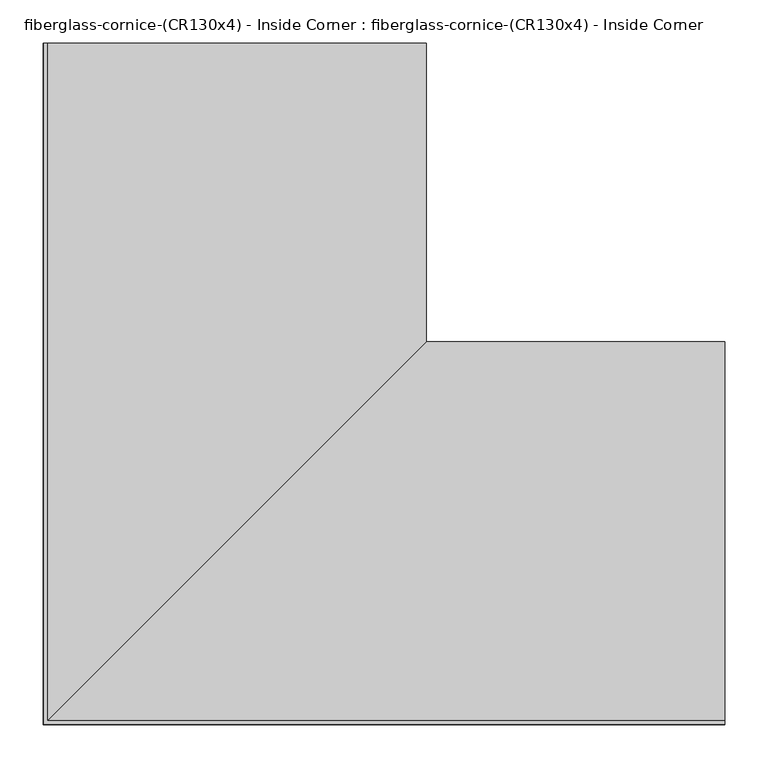
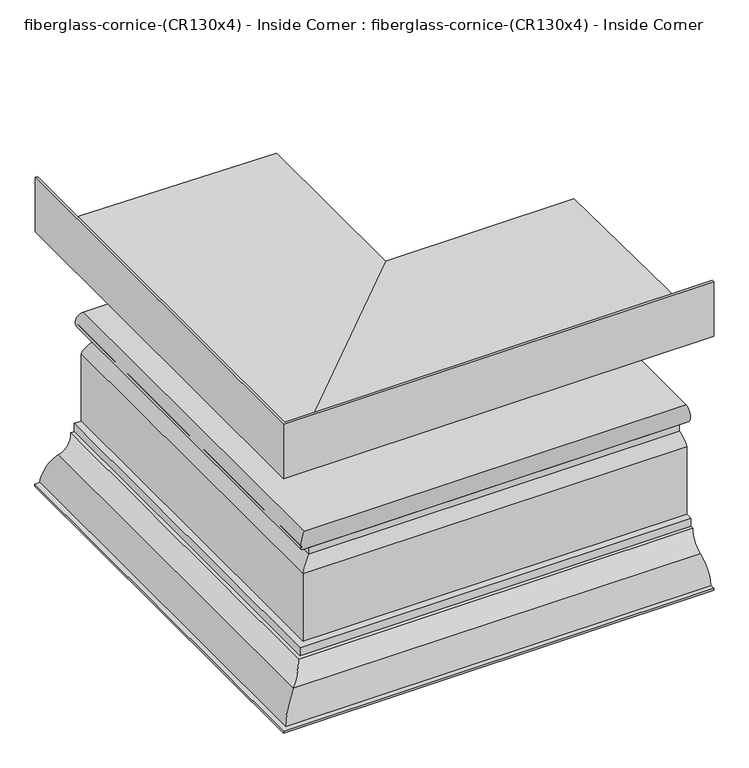
"""IFC4 building model written with IfcOpenShell, lengths in millimetres: furniture geometry, fiberglass-cornice-(CR130x4) - Inside Corner : fiberglass-cornice-(CR130x4) - Inside Corner."""

from ifc_helpers import new_model, si_unit, frame, origin, place, context, project, spatial, polyline, circle_curve, ellipse_curve, source, transform, mapped, element, save
from ifc_brep_helpers import plane_surface, cylinder_surface, revolved_surface, advanced_brep


def fiberglass_cornice_cr130x4_inside_corner_fiberglass_cornice_43bd7943(model_context):
    return source(origin(), model_context, "Body", "AdvancedBrep", [
        advanced_brep(
        [(-389.5724914, 888.603125, 330.1999904), (-389.5724914, 888.603125, 228.5999991), (48.5774674, 888.603125, 222.2500183), (48.5774674, 888.603125, 203.1999994), (34.3672249, 888.603125, 183.350913), (20.0024941, 888.603125, 161.9250108), (20.0024941, 888.603125, 146.0500094), (5.5778447, 888.603125, 127.4585598), (-8.5725091, 888.603125, 111.1250069), (-8.5725091, 888.603125, 34.9250175), (-305.4341478, 888.603125, 34.9250175), (-305.4354754, 888.603125, 12.3564936), (-256.2225363, 888.603125, 12.3564936), (-256.2225363, 888.603125, 9.6389641), (-281.6225193, 888.603125, -15.7607342), (-281.6225193, 888.603125, -28.4607342), (-305.4349921, 888.603125, -41.1606912), (-305.4349921, 888.603125, -174.510736), (-318.1719086, 888.603125, -174.510736), (-318.1719086, 888.603125, -190.3857328), (-324.5219361, 888.603125, -190.3857328), (-350.0700792, 888.603125, -225.3081723), (-381.6350204, 888.603125, -266.6999958), (-394.3350217, 888.603125, -266.6999958), (-394.3350217, 888.603125, -262.8010958), (-385.2222481, 888.603125, -262.8010958), (-351.2687335, 888.603125, -221.5980983), (-328.6305889, 888.603125, -186.4868365), (-322.0708272, 888.603125, -186.4868365), (-322.0708272, 888.603125, -170.6118323), (-309.3339107, 888.603125, -170.6118323), (-309.3339107, 888.603125, -40.0326997), (-285.5214379, 888.603125, -24.7705052), (-285.5214379, 888.603125, -11.7644705), (-260.2315068, 888.603125, 8.457575), (-305.4618242, 888.603125, 8.457575), (-305.4625417, 888.603125, 38.8239063), (-12.4714277, 888.603125, 38.8239063), (-12.4714277, 888.603125, 114.5071158), (1.6965277, 888.603125, 127.8284236), (16.1035755, 888.603125, 148.6279828), (16.1035755, 888.603125, 164.5762016), (30.4718854, 888.603125, 183.5174989), (44.6785786, 888.603125, 205.7151014), (44.6785786, 888.603125, 218.4071876), (-393.6999938, 888.603125, 224.7605132), (-393.6999938, 888.603125, 330.1999904), (393.6999938, 105.3306274, 330.1999904), (393.6999938, 101.203125, 330.1999904), (393.6999938, 101.203125, 224.7605132), (393.6999938, 539.5816975, 218.4071876), (393.6999938, 539.5816975, 205.7151014), (393.6999938, 525.3750042, 183.5174989), (393.6999938, 511.0066943, 164.5762016), (393.6999938, 511.0066943, 148.6279828), (393.6999938, 496.5996465, 127.8284236), (393.6999938, 482.4316912, 114.5071158), (393.6999938, 482.4316912, 38.8239063), (393.6999938, 189.4405772, 38.8239063), (393.6999938, 189.4412946, 8.457575), (393.6999938, 234.671612, 8.457575), (393.6999938, 209.381681, -11.7644705), (393.6999938, 209.381681, -24.7705052), (393.6999938, 185.5692081, -40.0326997), (393.6999938, 185.5692081, -170.6118323), (393.6999938, 172.8322916, -170.6118323), (393.6999938, 172.8322916, -186.4868365), (393.6999938, 166.2725299, -186.4868365), (393.6999938, 143.6343854, -221.5980983), (393.6999938, 109.6808708, -262.8010958), (393.6999938, 100.5680971, -262.8010958), (393.6999938, 100.5680971, -266.6999958), (393.6999938, 113.2680984, -266.6999958), (393.6999938, 144.8330397, -225.3081723), (393.6999938, 170.3811827, -190.3857328), (393.6999938, 176.7312102, -190.3857328), (393.6999938, 176.7312102, -174.510736), (393.6999938, 189.4681268, -174.510736), (393.6999938, 189.4681268, -41.1606912), (393.6999938, 213.2805996, -28.4607342), (393.6999938, 213.2805996, -15.7607342), (393.6999938, 238.6805825, 9.6389641), (393.6999938, 238.6805825, 12.3564936), (393.6999938, 189.4676435, 12.3564936), (393.6999938, 189.4689711, 34.9250175), (393.6999938, 486.3306098, 34.9250175), (393.6999938, 486.3306098, 111.1250069), (393.6999938, 500.4809636, 127.4585598), (393.6999938, 514.9056129, 146.0500094), (393.6999938, 514.9056129, 161.9250108), (393.6999938, 529.2703438, 183.350913), (393.6999938, 543.4805863, 203.1999994), (393.6999938, 543.4805863, 222.2500183), (393.6999938, 105.3306274, 228.5999991), (-389.5724914, 105.3306274, 330.1999904), (-389.5724914, 105.3306274, 228.5999991), (48.5774674, 543.4805863, 222.2500183), (48.5774674, 543.4805863, 203.1999994), (34.3672249, 529.2703438, 183.350913), (20.0024941, 514.9056129, 161.9250108), (20.0024941, 514.9056129, 146.0500094), (5.5778447, 500.4809636, 127.4585598), (-8.5725091, 486.3306098, 111.1250069), (-8.5725091, 486.3306098, 34.9250175), (-305.4341478, 189.4689711, 34.9250175), (-305.4354754, 189.4676435, 12.3564936), (-256.2225363, 238.6805825, 12.3564936), (-256.2225363, 238.6805825, 9.6389641), (-281.6225193, 213.2805996, -15.7607342), (-281.6225193, 213.2805996, -28.4607342), (-305.4349921, 189.4681268, -41.1606912), (-305.4349921, 189.4681268, -174.510736), (-318.1719086, 176.7312102, -174.510736), (-318.1719086, 176.7312102, -190.3857328), (-324.5219361, 170.3811827, -190.3857328), (-350.0700792, 144.8330397, -225.3081723), (-381.6350204, 113.2680984, -266.6999958), (-394.3350217, 100.5680971, -266.6999958), (-394.3350217, 100.5680971, -262.8010958), (-385.2222481, 109.6808708, -262.8010958), (-351.2687335, 143.6343854, -221.5980983), (-328.6305889, 166.2725299, -186.4868365), (-322.0708272, 172.8322916, -186.4868365), (-322.0708272, 172.8322916, -170.6118323), (-309.3339107, 185.5692081, -170.6118323), (-309.3339107, 185.5692081, -40.0326997), (-285.5214379, 209.381681, -24.7705052), (-285.5214379, 209.381681, -11.7644705), (-260.2315068, 234.671612, 8.457575), (-305.4618242, 189.4412946, 8.457575), (-305.4625417, 189.4405772, 38.8239063), (-12.4714277, 482.4316912, 38.8239063), (-12.4714277, 482.4316912, 114.5071158), (1.6965277, 496.5996465, 127.8284236), (16.1035755, 511.0066943, 148.6279828), (16.1035755, 511.0066943, 164.5762016), (30.4718854, 525.3750042, 183.5174989), (44.6785786, 539.5816975, 205.7151014), (44.6785786, 539.5816975, 218.4071876), (-393.6999938, 101.203125, 224.7605132), (-393.6999938, 101.203125, 330.1999904)],
        [
            (0, 1),
            (1, 2),
            (2, 3),
            (3, 4, circle_curve(frame((56.6672003, 888.603125, 182.3972447), z_axis=(0.0, -1.0, 0.0), x_axis=(1.0, 0.0, 0.0)), 22.320358)),
            (4, 5, circle_curve(frame((9.6277517, 888.603125, 184.4089075), z_axis=(0.0, 1.0, 0.0), x_axis=(1.0, 0.0, 0.0)), 24.7620858)),
            (5, 6),
            (6, 7, circle_curve(frame((27.4585119, 888.603125, 125.3734777), z_axis=(0.0, -1.0, 0.0), x_axis=(1.0, 0.0, 0.0)), 21.9797899)),
            (7, 8, circle_curve(frame((-12.9636079, 888.603125, 129.225437), z_axis=(0.0, 1.0, 0.0), x_axis=(1.0, 0.0, 0.0)), 18.6254482)),
            (8, 9),
            (9, 10),
            (10, 11, circle_curve(frame((-305.2619343, 888.603125, 23.6407454), z_axis=(0.0, -1.0, 0.0), x_axis=(1.0, 0.0, 0.0)), 11.2855861)),
            (11, 12),
            (12, 13),
            (13, 14, circle_curve(frame((-283.0382616, 888.603125, 11.055007), z_axis=(0.0, 1.0, 0.0), x_axis=(1.0, 0.0, 0.0)), 26.8530874)),
            (14, 15),
            (15, 16, circle_curve(frame((-281.8567782, 888.603125, -56.6957195), z_axis=(0.0, -1.0, 0.0), x_axis=(1.0, 0.0, 0.0)), 28.2359571)),
            (16, 17),
            (17, 18),
            (18, 19),
            (19, 20),
            (20, 21, circle_curve(frame((-361.4112405, 888.603125, -190.2050173), z_axis=(0.0, 1.0, 0.0), x_axis=(1.0, 0.0, 0.0)), 36.889747)),
            (21, 22, circle_curve(frame((-336.0379695, 888.603125, -268.7403492), z_axis=(0.0, -1.0, 0.0), x_axis=(1.0, 0.0, 0.0)), 45.6426784)),
            (22, 23),
            (23, 24),
            (24, 25),
            (25, 26, circle_curve(frame((-336.0379695, 888.603125, -268.7403492), z_axis=(0.0, 1.0, 0.0), x_axis=(1.0, 0.0, 0.0)), 49.5415784)),
            (26, 27, circle_curve(frame((-361.4112405, 888.603125, -190.2050173), z_axis=(0.0, -1.0, 0.0), x_axis=(1.0, 0.0, 0.0)), 32.990847)),
            (27, 28),
            (28, 29),
            (29, 30),
            (30, 31),
            (31, 32, circle_curve(frame((-281.8567782, 888.603125, -56.6957195), z_axis=(0.0, 1.0, 0.0), x_axis=(1.0, 0.0, 0.0)), 32.1348571)),
            (32, 33),
            (33, 34, circle_curve(frame((-283.0382616, 888.603125, 11.055007), z_axis=(0.0, -1.0, 0.0), x_axis=(1.0, 0.0, 0.0)), 22.9541874)),
            (34, 35),
            (35, 36, circle_curve(frame((-305.2619343, 888.603125, 23.6407454), z_axis=(0.0, 1.0, 0.0), x_axis=(1.0, 0.0, 0.0)), 15.1844861)),
            (36, 37),
            (37, 38),
            (38, 39, circle_curve(frame((-12.9636079, 888.603125, 129.225437), z_axis=(0.0, -1.0, 0.0), x_axis=(1.0, 0.0, 0.0)), 14.7265482)),
            (39, 40, circle_curve(frame((27.4585119, 888.603125, 125.3734777), z_axis=(0.0, 1.0, 0.0), x_axis=(1.0, 0.0, 0.0)), 25.8786899)),
            (40, 41),
            (41, 42, circle_curve(frame((9.6277517, 888.603125, 184.4089075), z_axis=(0.0, -1.0, 0.0), x_axis=(1.0, 0.0, 0.0)), 20.8631858)),
            (42, 43, circle_curve(frame((56.6672003, 888.603125, 182.3972447), z_axis=(0.0, 1.0, 0.0), x_axis=(1.0, 0.0, 0.0)), 26.219258)),
            (43, 44),
            (44, 45),
            (45, 46),
            (46, 0),
            (47, 48),
            (48, 49),
            (49, 50),
            (50, 51),
            (51, 52, circle_curve(frame((393.6999938, 551.5703191, 182.3972447), z_axis=(1.0, 0.0, 0.0), x_axis=(0.0, 1.0, 0.0)), 26.219258)),
            (52, 53, circle_curve(frame((393.6999938, 504.5308705, 184.4089075), z_axis=(-1.0, 0.0, 0.0), x_axis=(0.0, 1.0, 0.0)), 20.8631858)),
            (53, 54),
            (54, 55, circle_curve(frame((393.6999938, 522.3616308, 125.3734777), z_axis=(1.0, 0.0, 0.0), x_axis=(0.0, 1.0, 0.0)), 25.8786899)),
            (55, 56, circle_curve(frame((393.6999938, 481.939511, 129.225437), z_axis=(-1.0, 0.0, 0.0), x_axis=(0.0, 1.0, 0.0)), 14.7265482)),
            (56, 57),
            (57, 58),
            (58, 59, circle_curve(frame((393.6999938, 189.6411846, 23.6407454), z_axis=(1.0, 0.0, 0.0), x_axis=(0.0, 1.0, 0.0)), 15.1844861)),
            (59, 60),
            (60, 61, circle_curve(frame((393.6999938, 211.8648572, 11.055007), z_axis=(-1.0, 0.0, 0.0), x_axis=(0.0, 1.0, 0.0)), 22.9541874)),
            (61, 62),
            (62, 63, circle_curve(frame((393.6999938, 213.0463406, -56.6957195), z_axis=(1.0, 0.0, 0.0), x_axis=(0.0, 1.0, 0.0)), 32.1348571)),
            (63, 64),
            (64, 65),
            (65, 66),
            (66, 67),
            (67, 68, circle_curve(frame((393.6999938, 133.4918784, -190.2050173), z_axis=(-1.0, 0.0, 0.0), x_axis=(0.0, 1.0, 0.0)), 32.990847)),
            (68, 69, circle_curve(frame((393.6999938, 158.8651494, -268.7403492), z_axis=(1.0, 0.0, 0.0), x_axis=(0.0, 1.0, 0.0)), 49.5415784)),
            (69, 70),
            (70, 71),
            (71, 72),
            (72, 73, circle_curve(frame((393.6999938, 158.8651494, -268.7403492), z_axis=(-1.0, 0.0, 0.0), x_axis=(0.0, 1.0, 0.0)), 45.6426784)),
            (73, 74, circle_curve(frame((393.6999938, 133.4918784, -190.2050173), z_axis=(1.0, 0.0, 0.0), x_axis=(0.0, 1.0, 0.0)), 36.889747)),
            (74, 75),
            (75, 76),
            (76, 77),
            (77, 78),
            (78, 79, circle_curve(frame((393.6999938, 213.0463406, -56.6957195), z_axis=(-1.0, 0.0, 0.0), x_axis=(0.0, 1.0, 0.0)), 28.2359571)),
            (79, 80),
            (80, 81, circle_curve(frame((393.6999938, 211.8648572, 11.055007), z_axis=(1.0, 0.0, 0.0), x_axis=(0.0, 1.0, 0.0)), 26.8530874)),
            (81, 82),
            (82, 83),
            (83, 84, circle_curve(frame((393.6999938, 189.6411846, 23.6407454), z_axis=(-1.0, 0.0, 0.0), x_axis=(0.0, 1.0, 0.0)), 11.2855861)),
            (84, 85),
            (85, 86),
            (86, 87, circle_curve(frame((393.6999938, 481.939511, 129.225437), z_axis=(1.0, 0.0, 0.0), x_axis=(0.0, 1.0, 0.0)), 18.6254482)),
            (87, 88, circle_curve(frame((393.6999938, 522.3616308, 125.3734777), z_axis=(-1.0, 0.0, 0.0), x_axis=(0.0, 1.0, 0.0)), 21.9797899)),
            (88, 89),
            (89, 90, circle_curve(frame((393.6999938, 504.5308705, 184.4089075), z_axis=(1.0, 0.0, 0.0), x_axis=(0.0, 1.0, 0.0)), 24.7620858)),
            (90, 91, circle_curve(frame((393.6999938, 551.5703191, 182.3972447), z_axis=(-1.0, 0.0, 0.0), x_axis=(0.0, 1.0, 0.0)), 22.320358)),
            (91, 92),
            (92, 93),
            (93, 47),
            (0, 94),
            (94, 95),
            (95, 1),
            (95, 96),
            (96, 2),
            (96, 97),
            (97, 3),
            (97, 98, ellipse_curve(frame((56.6672003, 551.5703191, 182.3972447), z_axis=(0.7071067811865475, -0.7071067811865475, 0.0), x_axis=(-0.7071067811865474, -0.7071067811865476, 0.0)), 31.565753, 22.320358)),
            (98, 4),
            (98, 99, ellipse_curve(frame((9.6277517, 504.5308705, 184.4089075), z_axis=(-0.7071067811865475, 0.7071067811865475, 0.0), x_axis=(0.7071067811865474, 0.7071067811865476, 0.0)), 35.0188775, 24.7620858)),
            (99, 5),
            (99, 100),
            (100, 6),
            (100, 101, ellipse_curve(frame((27.4585119, 522.3616308, 125.3734777), z_axis=(0.7071067811865475, -0.7071067811865475, 0.0), x_axis=(-0.7071067811865474, -0.7071067811865476, 0.0)), 31.084117, 21.9797899)),
            (101, 7),
            (101, 102, ellipse_curve(frame((-12.9636079, 481.939511, 129.225437), z_axis=(-0.7071067811865475, 0.7071067811865475, 0.0), x_axis=(0.7071067811865474, 0.7071067811865476, 0.0)), 26.3403614, 18.6254482)),
            (102, 8),
            (102, 103),
            (103, 9),
            (103, 85),
            (84, 104),
            (104, 10),
            (104, 105, ellipse_curve(frame((-305.2619343, 189.6411846, 23.6407454), z_axis=(0.7071067811865475, -0.7071067811865475, 0.0), x_axis=(-0.7071067811865474, -0.7071067811865476, 0.0)), 15.960229, 11.2855861)),
            (105, 11),
            (105, 83),
            (82, 106),
            (106, 12),
            (106, 107),
            (107, 13),
            (107, 108, ellipse_curve(frame((-283.0382616, 211.8648572, 11.055007), z_axis=(-0.7071067811865475, 0.7071067811865475, 0.0), x_axis=(0.7071067811865474, 0.7071067811865476, 0.0)), 37.9760004, 26.8530874)),
            (108, 14),
            (108, 109),
            (109, 15),
            (109, 110, ellipse_curve(frame((-281.8567782, 213.0463406, -56.6957195), z_axis=(0.7071067811865475, -0.7071067811865475, 0.0), x_axis=(-0.7071067811865474, -0.7071067811865476, 0.0)), 39.9316734, 28.2359571)),
            (110, 16),
            (110, 111),
            (111, 17),
            (111, 77),
            (76, 112),
            (112, 18),
            (112, 113),
            (113, 19),
            (113, 75),
            (74, 114),
            (114, 20),
            (114, 115, ellipse_curve(frame((-361.4112405, 133.4918784, -190.2050173), z_axis=(-0.7071067811865475, 0.7071067811865475, 0.0), x_axis=(0.7071067811865474, 0.7071067811865476, 0.0)), 52.1699805, 36.889747)),
            (115, 21),
            (115, 116, ellipse_curve(frame((-336.0379695, 158.8651494, -268.7403492), z_axis=(0.7071067811865475, -0.7071067811865475, 0.0), x_axis=(-0.7071067811865474, -0.7071067811865476, 0.0)), 64.5484949, 45.6426784)),
            (116, 22),
            (116, 72),
            (71, 117),
            (117, 23),
            (117, 118),
            (118, 24),
            (118, 70),
            (69, 119),
            (119, 25),
            (119, 120, ellipse_curve(frame((-336.0379695, 158.8651494, -268.7403492), z_axis=(-0.7071067811865475, 0.7071067811865475, 0.0), x_axis=(0.7071067811865474, 0.7071067811865476, 0.0)), 70.0623721, 49.5415784)),
            (120, 26),
            (120, 121, ellipse_curve(frame((-361.4112405, 133.4918784, -190.2050173), z_axis=(0.7071067811865475, -0.7071067811865475, 0.0), x_axis=(-0.7071067811865474, -0.7071067811865476, 0.0)), 46.6561032, 32.990847)),
            (121, 27),
            (121, 67),
            (66, 122),
            (122, 28),
            (122, 123),
            (123, 29),
            (123, 65),
            (64, 124),
            (124, 30),
            (124, 125),
            (125, 31),
            (125, 126, ellipse_curve(frame((-281.8567782, 213.0463406, -56.6957195), z_axis=(-0.7071067811865475, 0.7071067811865475, 0.0), x_axis=(0.7071067811865474, 0.7071067811865476, 0.0)), 45.4455507, 32.1348571)),
            (126, 32),
            (126, 127),
            (127, 33),
            (127, 128, ellipse_curve(frame((-283.0382616, 211.8648572, 11.055007), z_axis=(0.7071067811865475, -0.7071067811865475, 0.0), x_axis=(-0.7071067811865474, -0.7071067811865476, 0.0)), 32.4621231, 22.9541874)),
            (128, 34),
            (128, 60),
            (59, 129),
            (129, 35),
            (129, 130, ellipse_curve(frame((-305.2619343, 189.6411846, 23.6407454), z_axis=(-0.7071067811865475, 0.7071067811865475, 0.0), x_axis=(0.7071067811865474, 0.7071067811865476, 0.0)), 21.4741062, 15.1844861)),
            (130, 36),
            (130, 58),
            (57, 131),
            (131, 37),
            (131, 132),
            (132, 38),
            (132, 133, ellipse_curve(frame((-12.9636079, 481.939511, 129.225437), z_axis=(0.7071067811865475, -0.7071067811865475, 0.0), x_axis=(-0.7071067811865474, -0.7071067811865476, 0.0)), 20.8264842, 14.7265482)),
            (133, 39),
            (133, 134, ellipse_curve(frame((27.4585119, 522.3616308, 125.3734777), z_axis=(-0.7071067811865475, 0.7071067811865475, 0.0), x_axis=(0.7071067811865474, 0.7071067811865476, 0.0)), 36.5979942, 25.8786899)),
            (134, 40),
            (134, 135),
            (135, 41),
            (135, 136, ellipse_curve(frame((9.6277517, 504.5308705, 184.4089075), z_axis=(0.7071067811865475, -0.7071067811865475, 0.0), x_axis=(-0.7071067811865474, -0.7071067811865476, 0.0)), 29.5050003, 20.8631858)),
            (136, 42),
            (136, 137, ellipse_curve(frame((56.6672003, 551.5703191, 182.3972447), z_axis=(-0.7071067811865475, 0.7071067811865475, 0.0), x_axis=(0.7071067811865474, 0.7071067811865476, 0.0)), 37.0796303, 26.219258)),
            (137, 43),
            (137, 138),
            (138, 44),
            (138, 139),
            (139, 45),
            (139, 140),
            (140, 46),
            (140, 48),
            (47, 94),
            (93, 95),
            (92, 96),
            (91, 97),
            (90, 98),
            (89, 99),
            (88, 100),
            (87, 101),
            (86, 102),
            (81, 107),
            (80, 108),
            (79, 109),
            (78, 110),
            (73, 115),
            (68, 120),
            (63, 125),
            (62, 126),
            (61, 127),
            (56, 132),
            (55, 133),
            (54, 134),
            (53, 135),
            (52, 136),
            (51, 137),
            (50, 138),
            (49, 139),
        ],
        [
            plane_surface(frame((-393.6999938, 888.603125, 330.1999904), z_axis=(0.0, 1.0, 0.0), x_axis=(0.0, 0.0, 1.0))),
            plane_surface(frame((393.6999938, 101.203125, 330.1999904), z_axis=(1.0, 0.0, 0.0), x_axis=(0.0, 0.0, 1.0))),
            plane_surface(frame((-389.5724914, 888.603125, 330.1999904), z_axis=(1.0, 0.0, 0.0), x_axis=(0.0, -1.0, 0.0))),
            plane_surface(frame((-389.5724914, 888.603125, 228.5999991), z_axis=(0.014491189459579073, 0.0, 0.9998949972012294), x_axis=(0.0, -1.0, 0.0))),
            plane_surface(frame((48.5774674, 888.603125, 222.2500183), z_axis=(1.0, 0.0, 0.0), x_axis=(0.0, -1.0, 0.0))),
            revolved_surface(polyline([(78.98755829999999, 529.2499611004404, 182.3972447), (78.98755829999999, 888.603125, 182.3972447)]), (56.6672003, 888.603125, 182.3972447), (0.0, -1.0, 0.0)),
            cylinder_surface(frame((9.6277517, 888.603125, 184.4089075), z_axis=(0.0, 1.0, 0.0), x_axis=(1.0, 0.0, 0.0)), 24.7620858),
            plane_surface(frame((20.0024941, 888.603125, 161.9250108), z_axis=(1.0, 0.0, 0.0), x_axis=(0.0, -1.0, 0.0))),
            revolved_surface(polyline([(49.438301800000005, 500.3818408821039, 125.3734777), (49.438301800000005, 888.603125, 125.3734777)]), (27.4585119, 888.603125, 125.3734777), (0.0, -1.0, 0.0)),
            cylinder_surface(frame((-12.9636079, 888.603125, 129.225437), z_axis=(0.0, 1.0, 0.0), x_axis=(1.0, 0.0, 0.0)), 18.6254482),
            plane_surface(frame((-8.5725091, 888.603125, 111.1250069), z_axis=(1.0, 0.0, 0.0), x_axis=(0.0, -1.0, 0.0))),
            plane_surface(frame((-8.5725091, 888.603125, 34.9250175), z_axis=(0.0, 0.0, -1.0), x_axis=(0.0, -1.0, 0.0))),
            revolved_surface(polyline([(-293.9763482, 178.35559844480974, 23.6407454), (-293.9763482, 888.603125, 23.6407454)]), (-305.2619343, 888.603125, 23.6407454), (0.0, -1.0, 0.0)),
            plane_surface(frame((-305.4354754, 888.603125, 12.3564936), z_axis=(0.0, 0.0, 1.0), x_axis=(0.0, -1.0, 0.0))),
            plane_surface(frame((-256.2225363, 888.603125, 12.3564936), z_axis=(1.0, 0.0, 0.0), x_axis=(0.0, -1.0, 0.0))),
            cylinder_surface(frame((-283.0382616, 888.603125, 11.055007), z_axis=(0.0, 1.0, 0.0), x_axis=(1.0, 0.0, 0.0)), 26.8530874),
            plane_surface(frame((-281.6225193, 888.603125, -15.7607342), z_axis=(1.0, 0.0, 0.0), x_axis=(0.0, -1.0, 0.0))),
            revolved_surface(polyline([(-253.6208211, 184.81038355473356, -56.6957195), (-253.6208211, 888.603125, -56.6957195)]), (-281.8567782, 888.603125, -56.6957195), (0.0, -1.0, 0.0)),
            plane_surface(frame((-305.4349921, 888.603125, -41.1606912), z_axis=(1.0, 0.0, 0.0), x_axis=(0.0, -1.0, 0.0))),
            plane_surface(frame((-305.4349921, 888.603125, -174.510736), z_axis=(0.0, 0.0, -1.0), x_axis=(0.0, -1.0, 0.0))),
            plane_surface(frame((-318.1719086, 888.603125, -174.510736), z_axis=(1.0, 0.0, 0.0), x_axis=(0.0, -1.0, 0.0))),
            plane_surface(frame((-318.1719086, 888.603125, -190.3857328), z_axis=(0.0, 0.0, -1.0), x_axis=(0.0, -1.0, 0.0))),
            cylinder_surface(frame((-361.4112405, 888.603125, -190.2050173), z_axis=(0.0, 1.0, 0.0), x_axis=(1.0, 0.0, 0.0)), 36.889747),
            revolved_surface(polyline([(-290.39529109999995, 113.22247094082468, -268.7403492), (-290.39529109999995, 888.603125, -268.7403492)]), (-336.0379695, 888.603125, -268.7403492), (0.0, -1.0, 0.0)),
            plane_surface(frame((-381.6350204, 888.603125, -266.6999958), z_axis=(0.0, 0.0, -1.0), x_axis=(0.0, -1.0, 0.0))),
            plane_surface(frame((-394.3350217, 888.603125, -266.6999958), z_axis=(-1.0, 0.0, 0.0), x_axis=(0.0, -1.0, 0.0))),
            plane_surface(frame((-394.3350217, 888.603125, -262.8010958), z_axis=(0.0, 0.0, 1.0), x_axis=(0.0, -1.0, 0.0))),
            cylinder_surface(frame((-336.0379695, 888.603125, -268.7403492), z_axis=(0.0, 1.0, 0.0), x_axis=(1.0, 0.0, 0.0)), 49.5415784),
            revolved_surface(polyline([(-328.42039350000005, 100.50103144354068, -190.2050173), (-328.42039350000005, 888.603125, -190.2050173)]), (-361.4112405, 888.603125, -190.2050173), (0.0, -1.0, 0.0)),
            plane_surface(frame((-328.6305889, 888.603125, -186.4868365), z_axis=(0.0, 0.0, 1.0), x_axis=(0.0, -1.0, 0.0))),
            plane_surface(frame((-322.0708272, 888.603125, -186.4868365), z_axis=(-1.0, 0.0, 0.0), x_axis=(0.0, -1.0, 0.0))),
            plane_surface(frame((-322.0708272, 888.603125, -170.6118323), z_axis=(0.0, 0.0, 1.0), x_axis=(0.0, -1.0, 0.0))),
            plane_surface(frame((-309.3339107, 888.603125, -170.6118323), z_axis=(-1.0, 0.0, 0.0), x_axis=(0.0, -1.0, 0.0))),
            cylinder_surface(frame((-281.8567782, 888.603125, -56.6957195), z_axis=(0.0, 1.0, 0.0), x_axis=(1.0, 0.0, 0.0)), 32.1348571),
            plane_surface(frame((-285.5214379, 888.603125, -24.7705052), z_axis=(-1.0, 0.0, 0.0), x_axis=(0.0, -1.0, 0.0))),
            revolved_surface(polyline([(-260.0840742, 188.91066982427753, 11.055007), (-260.0840742, 888.603125, 11.055007)]), (-283.0382616, 888.603125, 11.055007), (0.0, -1.0, 0.0)),
            plane_surface(frame((-260.2315068, 888.603125, 8.457575), z_axis=(0.0, 0.0, -1.0), x_axis=(0.0, -1.0, 0.0))),
            cylinder_surface(frame((-305.2619343, 888.603125, 23.6407454), z_axis=(0.0, 1.0, 0.0), x_axis=(1.0, 0.0, 0.0)), 15.1844861),
            plane_surface(frame((-305.4625417, 888.603125, 38.8239063), z_axis=(0.0, 0.0, 1.0), x_axis=(0.0, -1.0, 0.0))),
            plane_surface(frame((-12.4714277, 888.603125, 38.8239063), z_axis=(-1.0, 0.0, 0.0), x_axis=(0.0, -1.0, 0.0))),
            revolved_surface(polyline([(1.7629403000000003, 467.2129627939055, 129.225437), (1.7629403000000003, 888.603125, 129.225437)]), (-12.9636079, 888.603125, 129.225437), (0.0, -1.0, 0.0)),
            cylinder_surface(frame((27.4585119, 888.603125, 125.3734777), z_axis=(0.0, 1.0, 0.0), x_axis=(1.0, 0.0, 0.0)), 25.8786899),
            plane_surface(frame((16.1035755, 888.603125, 148.6279828), z_axis=(-1.0, 0.0, 0.0), x_axis=(0.0, -1.0, 0.0))),
            revolved_surface(polyline([(30.4909375, 483.66768470895886, 184.4089075), (30.4909375, 888.603125, 184.4089075)]), (9.6277517, 888.603125, 184.4089075), (0.0, -1.0, 0.0)),
            cylinder_surface(frame((56.6672003, 888.603125, 182.3972447), z_axis=(0.0, 1.0, 0.0), x_axis=(1.0, 0.0, 0.0)), 26.219258),
            plane_surface(frame((44.6785786, 888.603125, 205.7151014), z_axis=(-1.0, 0.0, 0.0), x_axis=(0.0, -1.0, 0.0))),
            plane_surface(frame((44.6785786, 888.603125, 218.4071876), z_axis=(-0.01449126137873903, 0.0, -0.9998949961589233), x_axis=(0.0, -1.0, 0.0))),
            plane_surface(frame((-393.6999938, 888.603125, 224.7605132), z_axis=(-1.0, 0.0, 0.0), x_axis=(0.0, -1.0, 0.0))),
            plane_surface(frame((-393.6999938, 888.603125, 330.1999904), z_axis=(0.0, 0.0, 1.0), x_axis=(0.0, -1.0, 0.0))),
            plane_surface(frame((-389.5724914, 105.3306274, 330.1999904), z_axis=(0.0, 1.0, 0.0), x_axis=(1.0, 0.0, 0.0))),
            plane_surface(frame((-389.5724914, 105.3306274, 228.5999991), z_axis=(0.0, 0.014491189459579073, 0.9998949972012294), x_axis=(1.0, 0.0, 0.0))),
            plane_surface(frame((48.5774674, 543.4805863, 222.2500183), z_axis=(0.0, 1.0, 0.0), x_axis=(1.0, 0.0, 0.0))),
            revolved_surface(polyline([(393.6999938, 573.8906771, 182.3972447), (34.346842300440414, 573.8906771, 182.3972447)]), (-393.6999938, 551.5703191, 182.3972447), (1.0, 0.0, 0.0)),
            cylinder_surface(frame((-393.6999938, 504.5308705, 184.4089075), z_axis=(-1.0, 0.0, 0.0), x_axis=(0.0, 1.0, 0.0)), 24.7620858),
            plane_surface(frame((20.0024941, 514.9056129, 161.9250108), z_axis=(0.0, 1.0, 0.0), x_axis=(1.0, 0.0, 0.0))),
            revolved_surface(polyline([(393.6999938, 544.3414207, 125.3734777), (5.478721982103991, 544.3414207, 125.3734777)]), (-393.6999938, 522.3616308, 125.3734777), (1.0, 0.0, 0.0)),
            cylinder_surface(frame((-393.6999938, 481.939511, 129.225437), z_axis=(-1.0, 0.0, 0.0), x_axis=(0.0, 1.0, 0.0)), 18.6254482),
            plane_surface(frame((-8.5725091, 486.3306098, 111.1250069), z_axis=(0.0, 1.0, 0.0), x_axis=(1.0, 0.0, 0.0))),
            revolved_surface(polyline([(393.6999938, 200.9267707, 23.6407454), (-316.5475204551902, 200.9267707, 23.6407454)]), (-393.6999938, 189.6411846, 23.6407454), (1.0, 0.0, 0.0)),
            plane_surface(frame((-256.2225363, 238.6805825, 12.3564936), z_axis=(0.0, 1.0, 0.0), x_axis=(1.0, 0.0, 0.0))),
            cylinder_surface(frame((-393.6999938, 211.8648572, 11.055007), z_axis=(-1.0, 0.0, 0.0), x_axis=(0.0, 1.0, 0.0)), 26.8530874),
            plane_surface(frame((-281.6225193, 213.2805996, -15.7607342), z_axis=(0.0, 1.0, 0.0), x_axis=(1.0, 0.0, 0.0))),
            revolved_surface(polyline([(393.6999938, 241.28229770000002, -56.6957195), (-310.09273524526645, 241.28229770000002, -56.6957195)]), (-393.6999938, 213.0463406, -56.6957195), (1.0, 0.0, 0.0)),
            plane_surface(frame((-305.4349921, 189.4681268, -41.1606912), z_axis=(0.0, 1.0, 0.0), x_axis=(1.0, 0.0, 0.0))),
            plane_surface(frame((-318.1719086, 176.7312102, -174.510736), z_axis=(0.0, 1.0, 0.0), x_axis=(1.0, 0.0, 0.0))),
            cylinder_surface(frame((-393.6999938, 133.4918784, -190.2050173), z_axis=(-1.0, 0.0, 0.0), x_axis=(0.0, 1.0, 0.0)), 36.889747),
            revolved_surface(polyline([(393.6999938, 204.5078278, -268.7403492), (-381.68064795917525, 204.5078278, -268.7403492)]), (-393.6999938, 158.8651494, -268.7403492), (1.0, 0.0, 0.0)),
            plane_surface(frame((-394.3350217, 100.5680971, -266.6999958), z_axis=(0.0, -1.0, 0.0), x_axis=(1.0, 0.0, 0.0))),
            cylinder_surface(frame((-393.6999938, 158.8651494, -268.7403492), z_axis=(-1.0, 0.0, 0.0), x_axis=(0.0, 1.0, 0.0)), 49.5415784),
            revolved_surface(polyline([(393.6999938, 166.4827254, -190.2050173), (-394.4020874564594, 166.4827254, -190.2050173)]), (-393.6999938, 133.4918784, -190.2050173), (1.0, 0.0, 0.0)),
            plane_surface(frame((-322.0708272, 172.8322916, -186.4868365), z_axis=(0.0, -1.0, 0.0), x_axis=(1.0, 0.0, 0.0))),
            plane_surface(frame((-309.3339107, 185.5692081, -170.6118323), z_axis=(0.0, -1.0, 0.0), x_axis=(1.0, 0.0, 0.0))),
            cylinder_surface(frame((-393.6999938, 213.0463406, -56.6957195), z_axis=(-1.0, 0.0, 0.0), x_axis=(0.0, 1.0, 0.0)), 32.1348571),
            plane_surface(frame((-285.5214379, 209.381681, -24.7705052), z_axis=(0.0, -1.0, 0.0), x_axis=(1.0, 0.0, 0.0))),
            revolved_surface(polyline([(393.6999938, 234.81904459999998, 11.055007), (-305.9924489757225, 234.81904459999998, 11.055007)]), (-393.6999938, 211.8648572, 11.055007), (1.0, 0.0, 0.0)),
            cylinder_surface(frame((-393.6999938, 189.6411846, 23.6407454), z_axis=(-1.0, 0.0, 0.0), x_axis=(0.0, 1.0, 0.0)), 15.1844861),
            plane_surface(frame((-12.4714277, 482.4316912, 38.8239063), z_axis=(0.0, -1.0, 0.0), x_axis=(1.0, 0.0, 0.0))),
            revolved_surface(polyline([(393.6999938, 496.6660592, 129.225437), (-27.69015610609449, 496.6660592, 129.225437)]), (-393.6999938, 481.939511, 129.225437), (1.0, 0.0, 0.0)),
            cylinder_surface(frame((-393.6999938, 522.3616308, 125.3734777), z_axis=(-1.0, 0.0, 0.0), x_axis=(0.0, 1.0, 0.0)), 25.8786899),
            plane_surface(frame((16.1035755, 511.0066943, 148.6279828), z_axis=(0.0, -1.0, 0.0), x_axis=(1.0, 0.0, 0.0))),
            revolved_surface(polyline([(393.6999938, 525.3940563, 184.4089075), (-11.235434091041157, 525.3940563, 184.4089075)]), (-393.6999938, 504.5308705, 184.4089075), (1.0, 0.0, 0.0)),
            cylinder_surface(frame((-393.6999938, 551.5703191, 182.3972447), z_axis=(-1.0, 0.0, 0.0), x_axis=(0.0, 1.0, 0.0)), 26.219258),
            plane_surface(frame((44.6785786, 539.5816975, 205.7151014), z_axis=(0.0, -1.0, 0.0), x_axis=(1.0, 0.0, 0.0))),
            plane_surface(frame((44.6785786, 539.5816975, 218.4071876), z_axis=(0.0, -0.01449126137873903, -0.9998949961589233), x_axis=(1.0, 0.0, 0.0))),
            plane_surface(frame((-393.6999938, 101.203125, 224.7605132), z_axis=(0.0, -1.0, 0.0), x_axis=(1.0, 0.0, 0.0))),
        ],
        [
            (0, [[1, 2, 3, 4, 5, 6, 7, 8, 9, 10, 11, 12, 13, 14, 15, 16, 17, 18, 19, 20, 21, 22, 23, 24, 25, 26, 27, 28, 29, 30, 31, 32, 33, 34, 35, 36, 37, 38, 39, 40, 41, 42, 43, 44, 45, 46, 47]]),
            (1, [[48, 49, 50, 51, 52, 53, 54, 55, 56, 57, 58, 59, 60, 61, 62, 63, 64, 65, 66, 67, 68, 69, 70, 71, 72, 73, 74, 75, 76, 77, 78, 79, 80, 81, 82, 83, 84, 85, 86, 87, 88, 89, 90, 91, 92, 93, 94]]),
            (2, [[-1, 95, 96, 97]]),
            (3, [[-2, -97, 98, 99]]),
            (4, [[-3, -99, 100, 101]]),
            (5, [[-4, -101, 102, 103]]),
            (6, [[-5, -103, 104, 105]]),
            (7, [[-6, -105, 106, 107]]),
            (8, [[-7, -107, 108, 109]]),
            (9, [[-8, -109, 110, 111]]),
            (10, [[-9, -111, 112, 113]]),
            (11, [[-10, -113, 114, -85, 115, 116]]),
            (12, [[-11, -116, 117, 118]]),
            (13, [[-12, -118, 119, -83, 120, 121]]),
            (14, [[-13, -121, 122, 123]]),
            (15, [[-14, -123, 124, 125]]),
            (16, [[-15, -125, 126, 127]]),
            (17, [[-16, -127, 128, 129]]),
            (18, [[-17, -129, 130, 131]]),
            (19, [[-18, -131, 132, -77, 133, 134]]),
            (20, [[-19, -134, 135, 136]]),
            (21, [[-20, -136, 137, -75, 138, 139]]),
            (22, [[-21, -139, 140, 141]]),
            (23, [[-22, -141, 142, 143]]),
            (24, [[-23, -143, 144, -72, 145, 146]]),
            (25, [[-24, -146, 147, 148]]),
            (26, [[-25, -148, 149, -70, 150, 151]]),
            (27, [[-26, -151, 152, 153]]),
            (28, [[-27, -153, 154, 155]]),
            (29, [[-28, -155, 156, -67, 157, 158]]),
            (30, [[-29, -158, 159, 160]]),
            (31, [[-30, -160, 161, -65, 162, 163]]),
            (32, [[-31, -163, 164, 165]]),
            (33, [[-32, -165, 166, 167]]),
            (34, [[-33, -167, 168, 169]]),
            (35, [[-34, -169, 170, 171]]),
            (36, [[-35, -171, 172, -60, 173, 174]]),
            (37, [[-36, -174, 175, 176]]),
            (38, [[-37, -176, 177, -58, 178, 179]]),
            (39, [[-38, -179, 180, 181]]),
            (40, [[-39, -181, 182, 183]]),
            (41, [[-40, -183, 184, 185]]),
            (42, [[-41, -185, 186, 187]]),
            (43, [[-42, -187, 188, 189]]),
            (44, [[-43, -189, 190, 191]]),
            (45, [[-44, -191, 192, 193]]),
            (46, [[-45, -193, 194, 195]]),
            (47, [[-46, -195, 196, 197]]),
            (48, [[-47, -197, 198, -48, 199, -95]]),
            (49, [[-96, -199, -94, 200]]),
            (50, [[-98, -200, -93, 201]]),
            (51, [[-100, -201, -92, 202]]),
            (52, [[-102, -202, -91, 203]]),
            (53, [[-104, -203, -90, 204]]),
            (54, [[-106, -204, -89, 205]]),
            (55, [[-108, -205, -88, 206]]),
            (56, [[-110, -206, -87, 207]]),
            (57, [[-112, -207, -86, -114]]),
            (58, [[-117, -115, -84, -119]]),
            (59, [[-122, -120, -82, 208]]),
            (60, [[-124, -208, -81, 209]]),
            (61, [[-126, -209, -80, 210]]),
            (62, [[-128, -210, -79, 211]]),
            (63, [[-130, -211, -78, -132]]),
            (64, [[-135, -133, -76, -137]]),
            (65, [[-140, -138, -74, 212]]),
            (66, [[-142, -212, -73, -144]]),
            (67, [[-147, -145, -71, -149]]),
            (68, [[-152, -150, -69, 213]]),
            (69, [[-154, -213, -68, -156]]),
            (70, [[-159, -157, -66, -161]]),
            (71, [[-164, -162, -64, 214]]),
            (72, [[-166, -214, -63, 215]]),
            (73, [[-168, -215, -62, 216]]),
            (74, [[-170, -216, -61, -172]]),
            (75, [[-175, -173, -59, -177]]),
            (76, [[-180, -178, -57, 217]]),
            (77, [[-182, -217, -56, 218]]),
            (78, [[-184, -218, -55, 219]]),
            (79, [[-186, -219, -54, 220]]),
            (80, [[-188, -220, -53, 221]]),
            (81, [[-190, -221, -52, 222]]),
            (82, [[-192, -222, -51, 223]]),
            (83, [[-194, -223, -50, 224]]),
            (84, [[-196, -224, -49, -198]]),
        ],
    ),
    ])


if __name__ == "__main__":
    model = new_model("IFC4")
    model_context = context("Model", 3, world=origin())
    ifc_project = project(units=[si_unit("LENGTHUNIT", "METRE", prefix="MILLI")], contexts=[model_context])
    site = spatial("IfcSite", under=ifc_project)
    building = spatial("IfcBuilding", under=site)
    placement = place(None, origin())
    fiberglass_cornice_cr130x4_inside_corner_fiberglass_cornice_shape = fiberglass_cornice_cr130x4_inside_corner_fiberglass_cornice_43bd7943(model_context)
    element("IfcFurniture", 1, ObjectType="fiberglass-cornice-(CR130x4) - Inside Corner : fiberglass-cornice-(CR130x4) - Inside Corner", at=placement, inside=building, context=model_context, shape_type="MappedRepresentation", body=[
        mapped(fiberglass_cornice_cr130x4_inside_corner_fiberglass_cornice_shape, transform((0.0, 0.0, 0.0), x_axis=(1.0, 0.0, 0.0), y_axis=(0.0, 1.0, 0.0), z_axis=(0.0, 0.0, 1.0))),
    ])
    save(model, "model.ifc")
